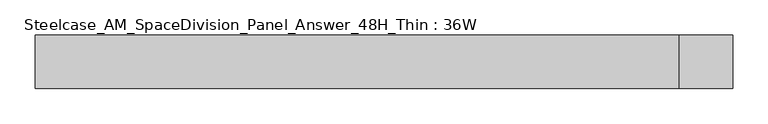
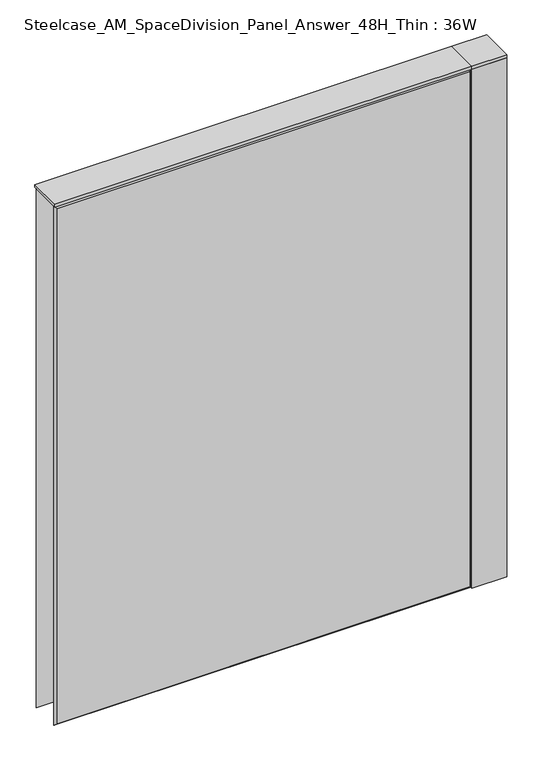
"""IFC4 building model written with IfcOpenShell, lengths in millimetres: furniture geometry, Steelcase_AM_SpaceDivision_Panel_Answer_48H_Thin : 36W."""

from ifc_helpers import new_model, si_unit, point, frame, frame_2d, origin, place, context, project, spatial, polyline, circle_curve, trimmed, segment, composite_curve, outline, extrude, faceted_brep, source, transform, mapped, element, save


def steelcase_am_spacedivision_panel_answer_48h_thin_36w_270d4f8e(model_context):
    return source(origin(), model_context, "Body", "SolidModel", [
        extrude(outline(composite_curve([segment(trimmed(circle_curve(frame_2d((495.3, -1.94e-05)), 5.08), [point((500.38, -1.94e-05))], [point((490.22, -1.94e-05))], False, "CARTESIAN"), True, "CONTINUOUS"), segment(trimmed(circle_curve(frame_2d((495.3, -1.94e-05)), 5.08), [point((490.22, -1.94e-05))], [point((500.38, -1.94e-05))], False, "CARTESIAN"), True, "CONTINUOUS")], self_intersect=False)), frame((0.0, 0.0, 5.0799671), z_axis=(0.0, 0.0, 1.0), x_axis=(1.0, 0.0, 0.0)), (0.0, 0.0, 1.0), 10.414),
        extrude(outline(composite_curve([segment(trimmed(circle_curve(frame_2d((495.3, -1.94e-05)), 15.24), [point((510.54, -1.94e-05))], [point((480.06, -1.94e-05))], False, "CARTESIAN"), True, "CONTINUOUS"), segment(trimmed(circle_curve(frame_2d((495.3, -1.94e-05)), 15.24), [point((480.06, -1.94e-05))], [point((510.54, -1.94e-05))], False, "CARTESIAN"), True, "CONTINUOUS")], self_intersect=False)), frame((0.0, 0.0, -3.29e-05), z_axis=(0.0, 0.0, 1.0), x_axis=(1.0, 0.0, 0.0)), (0.0, 0.0, 1.0), 5.08),
        extrude(outline(polyline([(457.2, -38.1), (457.2, 38.1), (533.4, 38.1), (533.4, -38.1), (457.2, -38.1)])), frame((0.0, 0.0, 1219.1999671), z_axis=(0.0, 0.0, 1.0), x_axis=(1.0, 0.0, 0.0)), (0.0, 0.0, 1.0), 6.35),
        extrude(outline(polyline([(533.4, 38.1), (533.4, -38.1), (457.2, -38.1), (457.2, 38.1), (533.4, 38.1)])), frame((0.0, 0.0, 15.4939671), z_axis=(0.0, 0.0, 1.0), x_axis=(1.0, 0.0, 0.0)), (0.0, 0.0, 1.0), 1203.706),
        faceted_brep([(-452.374, 38.0960551, 1214.374), (452.374, 38.0960551, 1214.374), (452.374, 38.0960551, 20.32), (-452.374, 38.0960551, 20.32), (-457.2, 33.2700551, 1219.2), (-457.2, 33.2700551, 15.494), (457.2, 33.2700551, 15.494), (457.2, 33.2700551, 1219.2)], [[[0, 1, 2, 3]], [[4, 5, 6, 7]], [[4, 7, 1, 0]], [[7, 6, 2, 1]], [[6, 5, 3, 2]], [[5, 4, 0, 3]]]),
        faceted_brep([(452.374, -38.0960551, 1214.374), (-452.374, -38.0960551, 1214.374), (-452.374, -38.0960551, 20.32), (452.374, -38.0960551, 20.32), (457.2, -33.2700551, 1219.2), (457.2, -33.2700551, 15.494), (-457.2, -33.2700551, 15.494), (-457.2, -33.2700551, 1219.2)], [[[0, 1, 2, 3]], [[4, 5, 6, 7]], [[4, 7, 1, 0]], [[7, 6, 2, 1]], [[6, 5, 3, 2]], [[5, 4, 0, 3]]]),
        extrude(outline(polyline([(457.2, 38.1000194), (457.2, -38.1000194), (-457.2, -38.1000194), (-457.2, 38.1000194), (457.2, 38.1000194)])), frame((0.0, 0.0, 1219.2), z_axis=(0.0, 0.0, 1.0), x_axis=(1.0, 0.0, 0.0)), (0.0, 0.0, 1.0), 6.35),
    ])


if __name__ == "__main__":
    model = new_model("IFC4")
    model_context = context("Model", 3, world=origin())
    ifc_project = project(units=[si_unit("LENGTHUNIT", "METRE", prefix="MILLI")], contexts=[model_context])
    site = spatial("IfcSite", under=ifc_project)
    building = spatial("IfcBuilding", under=site)
    placement = place(None, origin())
    steelcase_am_spacedivision_panel_answer_48h_thin_36w_shape = steelcase_am_spacedivision_panel_answer_48h_thin_36w_270d4f8e(model_context)
    element("IfcFurniture", 1, ObjectType="Steelcase_AM_SpaceDivision_Panel_Answer_48H_Thin : 36W", at=placement, inside=building, context=model_context, shape_type="MappedRepresentation", body=[
        mapped(steelcase_am_spacedivision_panel_answer_48h_thin_36w_shape, transform((0.0, 0.0, 0.0), x_axis=(1.0, 0.0, 0.0), y_axis=(0.0, 1.0, 0.0), z_axis=(0.0, 0.0, 1.0))),
    ])
    save(model, "model.ifc")
